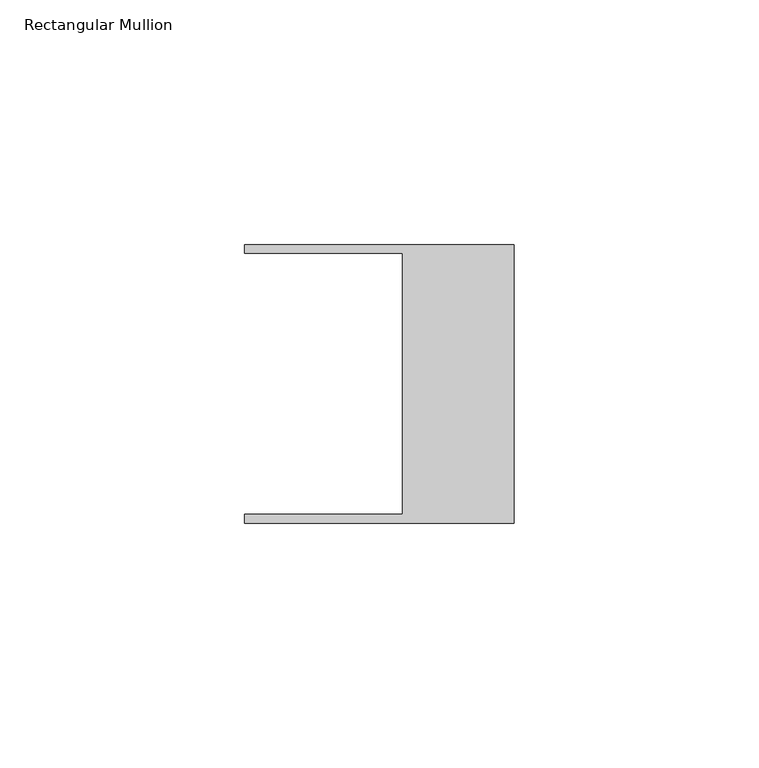
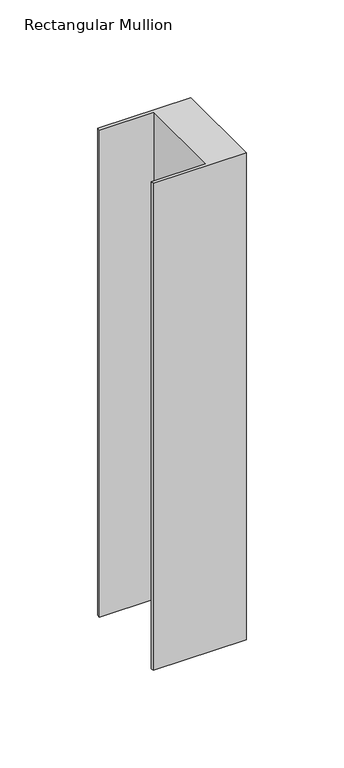
"""IFC4 building model written with IfcOpenShell, lengths in millimetres: member geometry, Rectangular Mullion."""

from ifc_helpers import new_model, si_unit, frame, origin, place, context, project, spatial, polyline, outline, extrude, source, transform, mapped, element, save


def rectangular_mullion_f0d77c36(model_context):
    return source(origin(), model_context, "Body", "SweptSolid", [
        extrude(outline(polyline([(-55.118, 26.67), (-55.118, 28.448), (0.0, 28.448), (0.0, -28.448), (-55.118, -28.448), (-55.118, -26.67), (-22.86, -26.67), (-22.86, 26.67), (-55.118, 26.67)])), frame((0.0, 0.0, -304.8), z_axis=(0.0, 0.0, 1.0), x_axis=(1.0, 0.0, 0.0)), (0.0, 0.0, 1.0), 304.8),
    ])


if __name__ == "__main__":
    model = new_model("IFC4")
    model_context = context("Model", 3, world=origin())
    ifc_project = project(units=[si_unit("LENGTHUNIT", "METRE", prefix="MILLI")], contexts=[model_context])
    site = spatial("IfcSite", under=ifc_project)
    building = spatial("IfcBuilding", under=site)
    placement = place(None, origin())
    rectangular_mullion_shape = rectangular_mullion_f0d77c36(model_context)
    element("IfcMember", 1, ObjectType="Rectangular Mullion", at=placement, inside=building, context=model_context, shape_type="MappedRepresentation", body=[
        mapped(rectangular_mullion_shape, transform((0.0, 0.0, 0.0), x_axis=(1.0, 0.0, 0.0), y_axis=(0.0, 1.0, 0.0), z_axis=(0.0, 0.0, 1.0))),
    ])
    save(model, "model.ifc")
